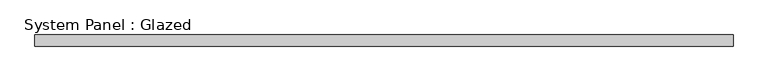
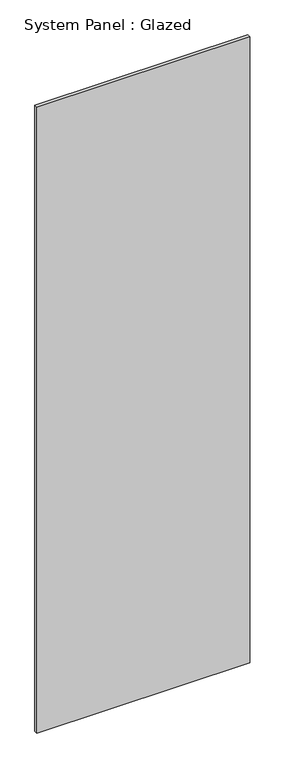
"""IFC4 building model written with IfcOpenShell, lengths in millimetres: plate geometry, System Panel : Glazed."""

import ifcopenshell
import ifcopenshell.guid

model = None  # the IFC model being written
_history = None  # IfcOwnerHistory: only IFC2X3 demands one
_inside = {}  # id of a spatial element -> (the spatial element, [elements in it])
_under = {}  # id of a project, library or spatial element -> (it, [spatial elements below it])
_declared = {}  # id of a project -> (the project, [libraries it declares])
_typed = {}  # id of a type object -> (the type object, [elements of that type])
_made_of = {}  # id of a material, layer set ... -> (it, [elements and type objects made of it])


def new_model(schema):
    """Start an empty IFC model of exactly this schema.

    Asked for "IFC4X3", IfcOpenShell would pick the latest addendum, in which some entities
    have other attributes; the version numbers below select the first issue.
    IFC2X3 requires an IfcOwnerHistory on every rooted entity: one is made here for all.
    """
    global model, _history
    if schema == "IFC4X3":
        model = ifcopenshell.file(schema_version=(4, 3, 0, 0))
    else:
        model = ifcopenshell.file(schema=schema)
    _inside.clear()
    _under.clear()
    _declared.clear()
    _typed.clear()
    _made_of.clear()
    _history = None
    if model.schema == "IFC2X3":
        org = make("IfcOrganization", Name="unknown")
        user = make(
            "IfcPersonAndOrganization",
            ThePerson=make("IfcPerson", FamilyName="unknown"),
            TheOrganization=org,
        )
        app = make(
            "IfcApplication",
            ApplicationDeveloper=org,
            Version="unknown",
            ApplicationFullName="unknown",
            ApplicationIdentifier="unknown",
        )
        _history = make(
            "IfcOwnerHistory",
            OwningUser=user,
            OwningApplication=app,
            ChangeAction="ADDED",
            CreationDate=0,
        )
    return model


def make(cls, **values):
    """One entity of the class cls with the attributes given. An attribute that is None is left unset."""
    return model.create_entity(
        cls, **{name: value for name, value in values.items() if value is not None}
    )


def rooted(cls, **values):
    """An entity with a GlobalId (a new one), such as an element, a storey or a relation."""
    return make(cls, GlobalId=ifcopenshell.guid.new(), OwnerHistory=_history, **values)


def si_unit(unit_type, name, prefix=None):
    """IfcSIUnit, for example si_unit("LENGTHUNIT", "METRE", prefix="MILLI")."""
    return make("IfcSIUnit", UnitType=unit_type, Prefix=prefix, Name=name)


def assignment(units):
    """IfcUnitAssignment: the units of a project."""
    return None if units is None else make("IfcUnitAssignment", Units=units)


def point(xyz):
    """IfcCartesianPoint."""
    return None if xyz is None else make("IfcCartesianPoint", Coordinates=xyz)


def direction(xyz):
    """IfcDirection."""
    return None if xyz is None else make("IfcDirection", DirectionRatios=xyz)


def frame(location, z_axis=None, x_axis=None):
    """IfcAxis2Placement3D, a coordinate frame: its origin and axes. An axis left out is left unset."""
    return make(
        "IfcAxis2Placement3D",
        Location=point(location),
        Axis=direction(z_axis),
        RefDirection=direction(x_axis),
    )


def origin():
    """The frame at (0, 0, 0) with its axes left unset."""
    return frame((0.0, 0.0, 0.0))


def origin_with_axes():
    """The frame at (0, 0, 0) with the z axis (0, 0, 1) and the x axis (1, 0, 0) written out."""
    return frame((0.0, 0.0, 0.0), z_axis=(0.0, 0.0, 1.0), x_axis=(1.0, 0.0, 0.0))


def place(relative_to, where):
    """IfcLocalPlacement: puts the frame where relative to a parent placement (None: the world)."""
    return make(
        "IfcLocalPlacement", PlacementRelTo=relative_to, RelativePlacement=where
    )


def context(
    kind, dimensions, precision=None, world=None, true_north=None, identifier=None
):
    """IfcGeometricRepresentationContext, for example the 3D "Model" context."""
    return make(
        "IfcGeometricRepresentationContext",
        ContextIdentifier=identifier,
        ContextType=kind,
        CoordinateSpaceDimension=dimensions,
        Precision=precision,
        WorldCoordinateSystem=world,
        TrueNorth=true_north,
    )


def project(units=None, contexts=None):
    """IfcProject with its units and contexts."""
    return rooted(
        "IfcProject",
        Name="project",
        RepresentationContexts=contexts,
        UnitsInContext=assignment(units),
    )


def spatial(cls, under=None, at=None, **own):
    """A site, building, storey or space (cls), placed at a placement, below another one or the project."""
    s = rooted(cls, ObjectPlacement=at, **own)
    if under is not None:
        _under.setdefault(under.id(), (under, []))[1].append(s)
    return s


def polyline(points):
    """IfcPolyline through the points."""
    return make("IfcPolyline", Points=[point(p) for p in points])


def outline(outer, holes=None, kind="AREA"):
    """IfcArbitraryClosedProfileDef: a profile drawn as a closed curve; with holes, ...WithVoids."""
    if holes is None:
        return make("IfcArbitraryClosedProfileDef", ProfileType=kind, OuterCurve=outer)
    return make(
        "IfcArbitraryProfileDefWithVoids",
        ProfileType=kind,
        OuterCurve=outer,
        InnerCurves=holes,
    )


def extrude(swept, where, along, depth):
    """IfcExtrudedAreaSolid: the profile swept, set in the frame where, extruded along a direction by depth."""
    return make(
        "IfcExtrudedAreaSolid",
        SweptArea=swept,
        Position=where,
        ExtrudedDirection=direction(along),
        Depth=depth,
    )


def shape(context_of_items, identifier, shape_type, items):
    """IfcShapeRepresentation: the items that make up one representation, for example the "Body"."""
    return make(
        "IfcShapeRepresentation",
        ContextOfItems=context_of_items,
        RepresentationIdentifier=identifier,
        RepresentationType=shape_type,
        Items=items,
    )


def source(mapping_origin, context_of_items, identifier, shape_type, items):
    """IfcRepresentationMap: a shape defined once, which mapped items show again and again."""
    return make(
        "IfcRepresentationMap",
        MappingOrigin=mapping_origin,
        MappedRepresentation=shape(context_of_items, identifier, shape_type, items),
    )


def transform(
    local_origin,
    x_axis=None,
    y_axis=None,
    z_axis=None,
    scale=None,
    scale2=None,
    scale3=None,
    uniform=True,
):
    """IfcCartesianTransformationOperator3D, or its non-uniform kind. x_axis, y_axis, z_axis: its Axis1, 2, 3."""
    if uniform:
        return make(
            "IfcCartesianTransformationOperator3D",
            Axis1=direction(x_axis),
            Axis2=direction(y_axis),
            LocalOrigin=point(local_origin),
            Scale=scale,
            Axis3=direction(z_axis),
        )
    return make(
        "IfcCartesianTransformationOperator3DnonUniform",
        Axis1=direction(x_axis),
        Axis2=direction(y_axis),
        LocalOrigin=point(local_origin),
        Scale=scale,
        Axis3=direction(z_axis),
        Scale2=scale2,
        Scale3=scale3,
    )


def mapped(mapping_source, mapping_target):
    """IfcMappedItem: shows the shape of a source again, moved by a transform."""
    return make(
        "IfcMappedItem", MappingSource=mapping_source, MappingTarget=mapping_target
    )


def made_of(thing, what):
    """Note that an element or type object is made of a material, layer set ...; save() writes the relation."""
    if what is not None:
        _made_of.setdefault(what.id(), (what, []))[1].append(thing)
    return thing


def element(
    cls,
    number,
    at=None,
    inside=None,
    cuts=None,
    type_object=None,
    material=None,
    context=None,
    identifier="Body",
    shape_type=None,
    held_by="IfcProductDefinitionShape",
    body=None,
    shapes=None,
    **own,
):
    """One element of the class cls, such as IfcWall. Its Tag is "e" and its number.

    at: its placement. inside: the storey or other place that contains it. cuts: it is an
    opening in that element (IfcRelVoidsElement). A single representation is given by context,
    identifier, shape_type and body (its items); several are given by shapes. held_by: the class
    of the entity that holds the representations. save() writes the other relations.
    """
    e = rooted(cls, Tag="e%d" % number, ObjectPlacement=at, **own)
    if body is not None:
        shapes = [shape(context, identifier, shape_type, body)]
    if shapes is not None:
        e.Representation = make(held_by, Representations=shapes)
    if inside is not None:
        _inside.setdefault(inside.id(), (inside, []))[1].append(e)
    if cuts is not None:
        rooted(
            "IfcRelVoidsElement", RelatingBuildingElement=cuts, RelatedOpeningElement=e
        )
    if type_object is not None:
        _typed.setdefault(type_object.id(), (type_object, []))[1].append(e)
    return made_of(e, material)


def aggregate(whole, parts):
    """IfcRelAggregates: a whole, such as a stair, and the parts it consists of."""
    return rooted("IfcRelAggregates", RelatingObject=whole, RelatedObjects=parts)


def save(model, path):
    """Write the relations noted so far, then the file.

    IfcRelAggregates (storeys below a building ...), IfcRelContainedInSpatialStructure (elements
    in a storey), IfcRelDefinesByType, IfcRelAssociatesMaterial and IfcRelDeclares: one each for
    every whole, place, type object, material and project.
    """
    for whole, parts in _under.values():
        aggregate(whole, parts)
    for where, things in _inside.values():
        rooted(
            "IfcRelContainedInSpatialStructure",
            RelatedElements=things,
            RelatingStructure=where,
        )
    for kind, things in _typed.values():
        rooted("IfcRelDefinesByType", RelatedObjects=things, RelatingType=kind)
    for what, things in _made_of.values():
        rooted("IfcRelAssociatesMaterial", RelatedObjects=things, RelatingMaterial=what)
    for by, libraries in _declared.values():
        rooted("IfcRelDeclares", RelatingContext=by, RelatedDefinitions=libraries)
    model.write(path)


def system_panel_glazed_9d218b81(model_context):
    return source(origin(), model_context, "Body", "SweptSolid", [
        extrude(outline(polyline([(784.3681239, 19.05), (-784.3681239, 19.05), (-784.3681239, 44.45), (784.3681239, 44.45), (784.3681239, 19.05)])), origin_with_axes(), (0.0, 0.0, 1.0), 4876.8),
    ])


if __name__ == "__main__":
    model = new_model("IFC4")
    model_context = context("Model", 3, world=origin())
    ifc_project = project(units=[si_unit("LENGTHUNIT", "METRE", prefix="MILLI")], contexts=[model_context])
    site = spatial("IfcSite", under=ifc_project)
    building = spatial("IfcBuilding", under=site)
    placement = place(None, origin())
    system_panel_glazed_shape = system_panel_glazed_9d218b81(model_context)
    element("IfcPlate", 1, ObjectType="System Panel : Glazed", at=placement, inside=building, context=model_context, shape_type="MappedRepresentation", body=[
        mapped(system_panel_glazed_shape, transform((0.0, 0.0, 0.0), x_axis=(1.0, 0.0, 0.0), y_axis=(0.0, 1.0, 0.0), z_axis=(0.0, 0.0, 1.0))),
    ])
    save(model, "model.ifc")
